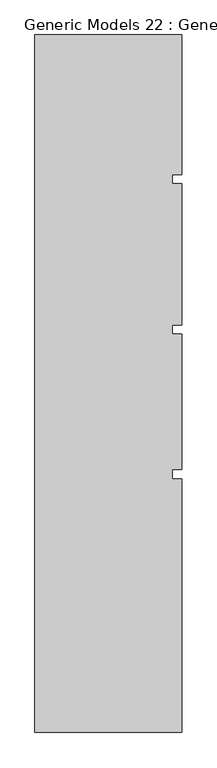
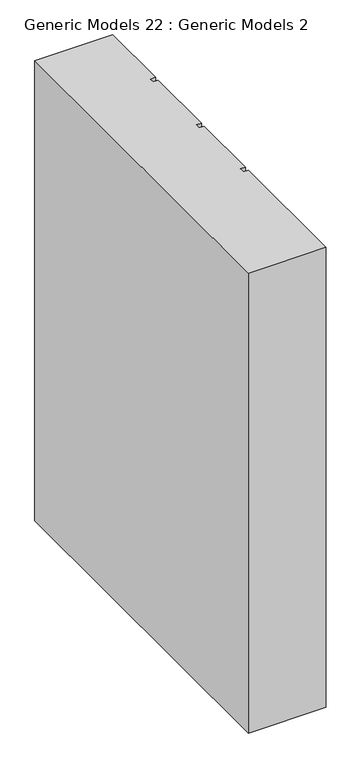
"""IFC4 building model written with IfcOpenShell, lengths in millimetres: proxy geometry, Generic Models 22 : Generic Models 2."""

from ifc_helpers import new_model, si_unit, frame, origin, place, context, project, spatial, polyline, outline, extrude, source, transform, mapped, element, save


def generic_models_22_generic_models_2_911583ca(model_context):
    return source(origin(), model_context, "Body", "SweptSolid", [
        extrude(outline(polyline([(6158.9891931, -239.4418036), (6646.0314083, -239.4418036), (6646.0314083, -703.851216), (6614.3889077, -703.851216), (6614.3889077, -733.8846489), (6646.0314083, -733.8846489), (6646.0314083, -1203.851216), (6614.3889077, -1203.851216), (6614.3889077, -1233.8846489), (6646.0314083, -1233.8846489), (6646.0314083, -1683.851216), (6614.3889077, -1683.851216), (6614.3889077, -1713.8846489), (6646.0314083, -1713.8846489), (6646.0314083, -2556.8137679), (6158.9891931, -2556.8137679), (6158.9891931, -239.4418036)])), frame((0.0, 0.0, 9000.0), z_axis=(0.0, 0.0, 1.0), x_axis=(1.0, 0.0, 0.0)), (0.0, 0.0, 1.0), 3044.7067261),
    ])


if __name__ == "__main__":
    model = new_model("IFC4")
    model_context = context("Model", 3, world=origin())
    ifc_project = project(units=[si_unit("LENGTHUNIT", "METRE", prefix="MILLI")], contexts=[model_context])
    site = spatial("IfcSite", under=ifc_project)
    building = spatial("IfcBuilding", under=site)
    placement = place(None, origin())
    generic_models_22_generic_models_2_shape = generic_models_22_generic_models_2_911583ca(model_context)
    element("IfcBuildingElementProxy", 1, Name="Generic Models 22 : Generic Models 2", ObjectType="Generic Models 22 : Generic Models 2", at=placement, inside=building, context=model_context, shape_type="MappedRepresentation", body=[
        mapped(generic_models_22_generic_models_2_shape, transform((0.0, 0.0, 0.0), x_axis=(1.0, 0.0, 0.0), y_axis=(0.0, 1.0, 0.0), z_axis=(0.0, 0.0, 1.0))),
    ])
    save(model, "model.ifc")
